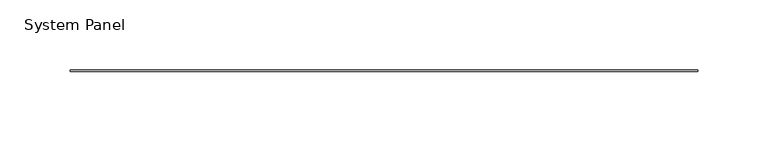
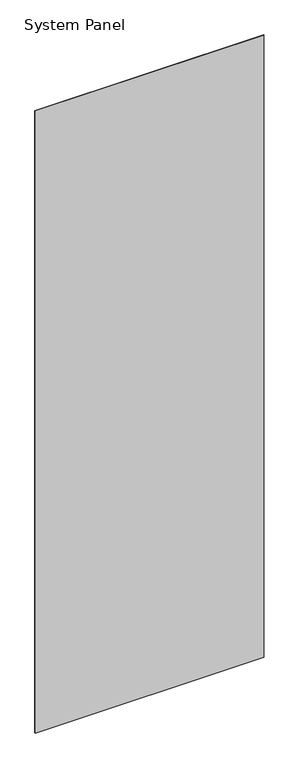
"""IFC4 building model written with IfcOpenShell, lengths in millimetres: plate geometry, System Panel."""

from ifc_helpers import new_model, si_unit, origin, origin_with_axes, place, context, project, spatial, polyline, outline, extrude, source, transform, mapped, element, save


def system_panel_a331054d(model_context):
    return source(origin(), model_context, "Body", "SweptSolid", [
        extrude(outline(polyline([(223.5200002, -0.4960938), (-223.5200002, -0.4960938), (-223.5200002, 0.4960938), (223.5200002, 0.4960938), (223.5200002, -0.4960938)])), origin_with_axes(), (0.0, 0.0, 1.0), 1285.875),
    ])


if __name__ == "__main__":
    model = new_model("IFC4")
    model_context = context("Model", 3, world=origin())
    ifc_project = project(units=[si_unit("LENGTHUNIT", "METRE", prefix="MILLI")], contexts=[model_context])
    site = spatial("IfcSite", under=ifc_project)
    building = spatial("IfcBuilding", under=site)
    placement = place(None, origin())
    system_panel_shape = system_panel_a331054d(model_context)
    element("IfcPlate", 1, ObjectType="System Panel", at=placement, inside=building, context=model_context, shape_type="MappedRepresentation", body=[
        mapped(system_panel_shape, transform((0.0, 0.0, 0.0), x_axis=(1.0, 0.0, 0.0), y_axis=(0.0, 1.0, 0.0), z_axis=(0.0, 0.0, 1.0))),
    ])
    save(model, "model.ifc")
